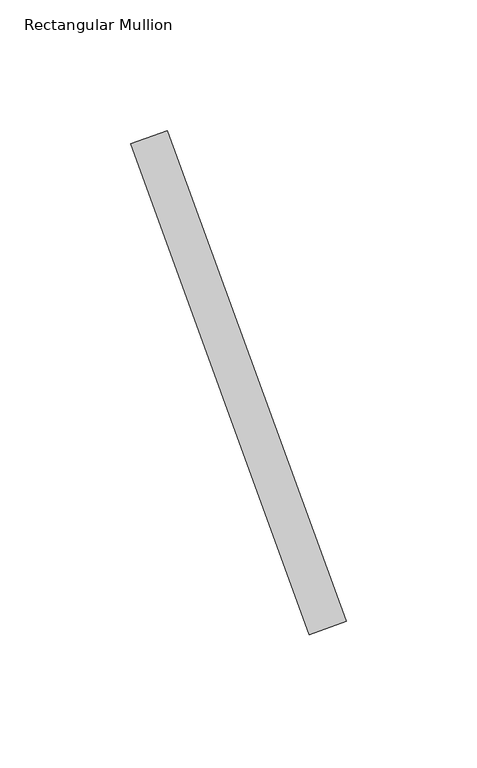
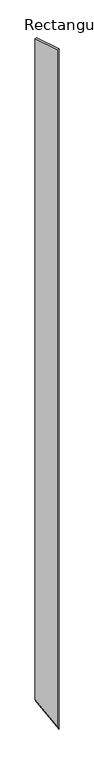
"""IFC4 building model written with IfcOpenShell, lengths in millimetres: member geometry, Rectangular Mullion."""

from ifc_helpers import new_model, si_unit, origin, place, context, project, spatial, faceted_brep, source, transform, mapped, element, save


def rectangular_mullion_4664a5e9(model_context):
    return source(origin(), model_context, "Body", "Brep", [
        faceted_brep([(3.0980396, -52.36886, 0.0), (71.5020683, -240.3073841, 0.0), (85.5974576, -235.177082, 0.0), (17.193429, -47.2385578, 0.0), (85.5974576, -235.177082, -5666.8298799), (17.193429, -47.2385578, -5532.0569118), (3.0980396, -52.36886, -5504.2854853), (71.5020683, -240.3073841, -5639.0584534)], [[[0, 1, 2, 3]], [[3, 2, 4, 5]], [[1, 0, 6, 7]], [[2, 1, 7, 4]], [[0, 3, 5, 6]], [[6, 5, 4, 7]]]),
    ])


if __name__ == "__main__":
    model = new_model("IFC4")
    model_context = context("Model", 3, world=origin())
    ifc_project = project(units=[si_unit("LENGTHUNIT", "METRE", prefix="MILLI")], contexts=[model_context])
    site = spatial("IfcSite", under=ifc_project)
    building = spatial("IfcBuilding", under=site)
    placement = place(None, origin())
    rectangular_mullion_shape = rectangular_mullion_4664a5e9(model_context)
    element("IfcMember", 1, ObjectType="Rectangular Mullion", at=placement, inside=building, context=model_context, shape_type="MappedRepresentation", body=[
        mapped(rectangular_mullion_shape, transform((0.0, 0.0, 0.0), x_axis=(1.0, 0.0, 0.0), y_axis=(0.0, 1.0, 0.0), z_axis=(0.0, 0.0, 1.0))),
    ])
    save(model, "model.ifc")
